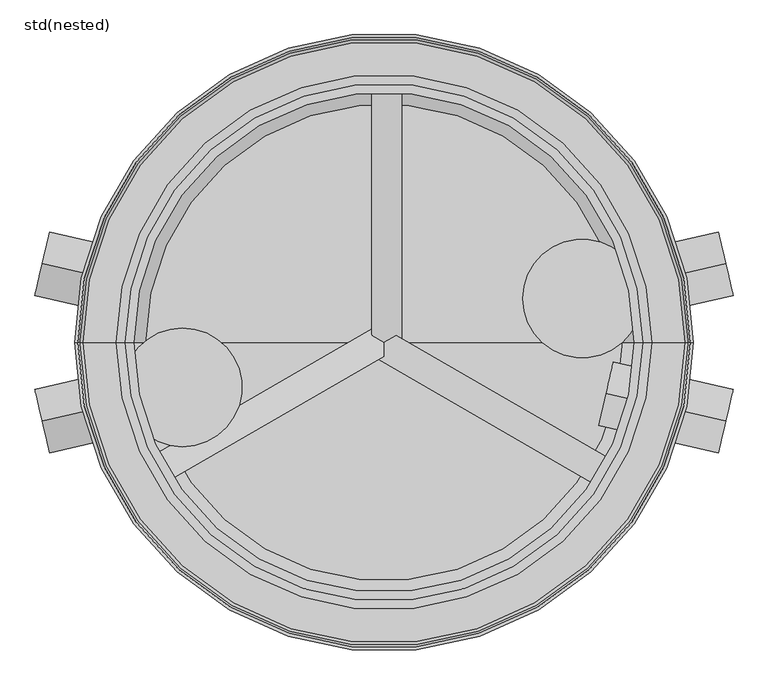
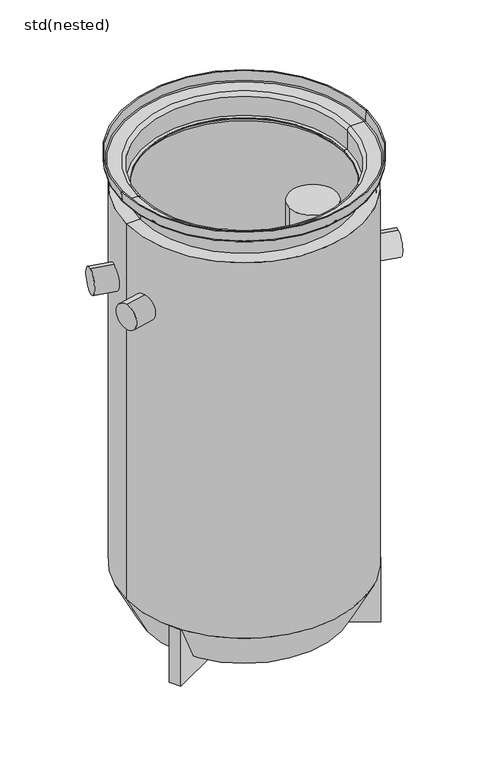
"""IFC4 building model written with IfcOpenShell, lengths in millimetres: unitary equipment geometry, std(nested)."""

from ifc_helpers import new_model, si_unit, point, frame, frame_2d, origin, origin_with_axes, place, context, project, spatial, polyline, circle_curve, ellipse_curve, trimmed, segment, composite_curve, outline, extrude, faceted_brep, source, transform, mapped, element, save
from ifc_brep_helpers import plane_surface, cylinder_surface, revolved_surface, advanced_brep


def std_nested_e6c26841(model_context):
    return source(origin(), model_context, "Body", "SolidModel", [
        faceted_brep([(-447.7834993, -224.4162284, -2085.0), (-447.7834993, -224.4162284, -1831.3908275), (-20.4584052, 22.3000296, -1986.9298086), (-20.4584052, 22.3000296, -2085.0), (-422.7834993, -267.7174986, -1831.3908275), (-422.7834993, -267.7174986, -2085.0), (-9.0831896, -28.8675135, -2085.0), (-9.0831896, -28.8675135, -1986.9298086), (0.0, -23.6233315, -1985.2767463), (-20.4584052, 500.0, -2085.0), (29.5415948, 500.0, -2085.0), (29.5415948, 6.5674838, -2085.0), (443.2419045, -232.2825014, -2085.0), (418.2419045, -275.5837716, -2085.0), (0.0, 0.0, -1989.0), (-20.4584052, 11.8116658, -1985.2767463), (418.2419045, -275.5837716, -1831.3908275), (443.2419045, -232.2825014, -1831.3908275), (29.5415948, 6.5674838, -1986.9298086), (20.4584052, 11.8116658, -1985.2767463), (29.5415948, 500.0, -1831.3908275), (-20.4584052, 500.0, -1831.3908275)], [[[0, 1, 2, 3]], [[4, 5, 6, 7, 8]], [[5, 0, 3, 9, 10, 11, 12, 13, 6]], [[1, 0, 5, 4]], [[1, 4, 8, 14, 15, 2]], [[13, 16, 7, 6]], [[17, 12, 11, 18, 19]], [[16, 13, 12, 17]], [[16, 17, 19, 14, 8, 7]], [[10, 20, 18, 11]], [[21, 9, 3, 2, 15]], [[20, 10, 9, 21]], [[20, 21, 15, 14, 19, 18]]]),
        extrude(outline(composite_curve([segment(trimmed(circle_curve(frame_2d((0.0, -55.0)), 55.0), [point((0.0, -110.0))], [point((0.0, 0.0))], False, "CARTESIAN"), True, "CONTINUOUS"), segment(trimmed(circle_curve(frame_2d((0.0, -55.0)), 55.0), [point((0.0, 0.0))], [point((0.0, -110.0))], False, "CARTESIAN"), True, "CONTINUOUS")], self_intersect=False)), frame((-574.8783382, -132.7211221, -405.0), z_axis=(0.9743700647852354, 0.22495105434386478, 0.0), x_axis=(-0.22495105434386478, 0.9743700647852354, 0.0)), (0.0, 0.0, 1.0), 208.2942375),
        advanced_brep(
        [(-520.3440883, 0.0, 0.0), (520.3440883, 0.0, 0.0), (516.7682904, 0.0, -40.8715574), (-516.7682904, 0.0, -40.8715574), (-515.3249891, 0.0, 0.0), (515.3249891, 0.0, 0.0), (-511.7651284, 0.0, -40.6893939), (511.7651284, 0.0, -40.6893939), (-506.8063434, 0.0, -45.0), (506.8063434, 0.0, -45.0), (-450.9696551, 0.0, -45.0), (450.9696551, 0.0, -45.0), (-435.9696551, 0.0, -60.0), (435.9696551, 0.0, -60.0), (-435.9696551, 0.0, -145.0), (435.9696551, 0.0, -145.0), (-420.9696551, 0.0, -145.0), (420.9696551, 0.0, -145.0), (-420.9696551, 0.0, -150.0), (420.9696551, 0.0, -150.0), (-440.9696551, 0.0, -150.0), (440.9696551, 0.0, -150.0), (-440.9696551, 0.0, -60.0), (440.9696551, 0.0, -60.0), (-450.9696551, 0.0, -50.0), (450.9696551, 0.0, -50.0), (-506.8063434, 0.0, -50.0), (506.8063434, 0.0, -50.0)],
        [
            (0, 1, circle_curve(frame((0.0, 0.0, 0.0), z_axis=(0.0, 0.0, -1.0), x_axis=(1.0, 0.0, 0.0)), 520.3440883)),
            (1, 2),
            (2, 3, circle_curve(frame((0.0, 0.0, -40.8715574), z_axis=(0.0, 0.0, 1.0), x_axis=(1.0, 0.0, 0.0)), 516.7682904)),
            (3, 0),
            (1, 0, circle_curve(frame((0.0, 0.0, 0.0), z_axis=(0.0, 0.0, -1.0), x_axis=(1.0, 0.0, 0.0)), 520.3440883)),
            (3, 2, circle_curve(frame((0.0, 0.0, -40.8715574), z_axis=(0.0, 0.0, 1.0), x_axis=(1.0, 0.0, 0.0)), 516.7682904)),
            (4, 5, circle_curve(frame((0.0, 0.0, 0.0), z_axis=(0.0, 0.0, -1.0), x_axis=(1.0, 0.0, 0.0)), 515.3249891)),
            (5, 1),
            (0, 4),
            (5, 4, circle_curve(frame((0.0, 0.0, 0.0), z_axis=(0.0, 0.0, -1.0), x_axis=(1.0, 0.0, 0.0)), 515.3249891)),
            (6, 7, circle_curve(frame((0.0, 0.0, -40.6893939), z_axis=(0.0, 0.0, -1.0), x_axis=(1.0, 0.0, 0.0)), 511.7651284)),
            (7, 5),
            (4, 6),
            (7, 6, circle_curve(frame((0.0, 0.0, -40.6893939), z_axis=(0.0, 0.0, -1.0), x_axis=(1.0, 0.0, 0.0)), 511.7651284)),
            (8, 9, circle_curve(frame((0.0, 0.0, -45.0), z_axis=(0.0, 0.0, -1.0), x_axis=(1.0, 0.0, 0.0)), 506.8063434)),
            (9, 7, circle_curve(frame((506.8063434, 0.0, -39.9924821), z_axis=(0.0, -1.0, 0.0), x_axis=(1.0, 0.0, 0.0)), 5.0075179)),
            (6, 8, circle_curve(frame((-506.8063434, 0.0, -39.9924821), z_axis=(0.0, -1.0, 0.0), x_axis=(-1.0, 0.0, 0.0)), 5.0075179)),
            (9, 8, circle_curve(frame((0.0, 0.0, -45.0), z_axis=(0.0, 0.0, -1.0), x_axis=(1.0, 0.0, 0.0)), 506.8063434)),
            (10, 11, circle_curve(frame((0.0, 0.0, -45.0), z_axis=(0.0, 0.0, -1.0), x_axis=(1.0, 0.0, 0.0)), 450.9696551)),
            (11, 9),
            (8, 10),
            (11, 10, circle_curve(frame((0.0, 0.0, -45.0), z_axis=(0.0, 0.0, -1.0), x_axis=(1.0, 0.0, 0.0)), 450.9696551)),
            (12, 13, circle_curve(frame((0.0, 0.0, -60.0), z_axis=(0.0, 0.0, -1.0), x_axis=(1.0, 0.0, 0.0)), 435.9696551)),
            (13, 11, circle_curve(frame((450.9696551, 0.0, -60.0), z_axis=(0.0, 1.0, 0.0), x_axis=(1.0, 0.0, 0.0)), 15.0)),
            (10, 12, circle_curve(frame((-450.9696551, 0.0, -60.0), z_axis=(0.0, 1.0, 0.0), x_axis=(-1.0, 0.0, 0.0)), 15.0)),
            (13, 12, circle_curve(frame((0.0, 0.0, -60.0), z_axis=(0.0, 0.0, -1.0), x_axis=(1.0, 0.0, 0.0)), 435.9696551)),
            (14, 15, circle_curve(frame((0.0, 0.0, -145.0), z_axis=(0.0, 0.0, -1.0), x_axis=(1.0, 0.0, 0.0)), 435.9696551)),
            (15, 13),
            (12, 14),
            (15, 14, circle_curve(frame((0.0, 0.0, -145.0), z_axis=(0.0, 0.0, -1.0), x_axis=(1.0, 0.0, 0.0)), 435.9696551)),
            (16, 17, circle_curve(frame((0.0, 0.0, -145.0), z_axis=(0.0, 0.0, -1.0), x_axis=(1.0, 0.0, 0.0)), 420.9696551)),
            (17, 15),
            (14, 16),
            (17, 16, circle_curve(frame((0.0, 0.0, -145.0), z_axis=(0.0, 0.0, -1.0), x_axis=(1.0, 0.0, 0.0)), 420.9696551)),
            (18, 19, circle_curve(frame((0.0, 0.0, -150.0), z_axis=(0.0, 0.0, -1.0), x_axis=(1.0, 0.0, 0.0)), 420.9696551)),
            (19, 17),
            (16, 18),
            (19, 18, circle_curve(frame((0.0, 0.0, -150.0), z_axis=(0.0, 0.0, -1.0), x_axis=(1.0, 0.0, 0.0)), 420.9696551)),
            (20, 21, circle_curve(frame((0.0, 0.0, -150.0), z_axis=(0.0, 0.0, -1.0), x_axis=(1.0, 0.0, 0.0)), 440.9696551)),
            (21, 19),
            (18, 20),
            (21, 20, circle_curve(frame((0.0, 0.0, -150.0), z_axis=(0.0, 0.0, -1.0), x_axis=(1.0, 0.0, 0.0)), 440.9696551)),
            (22, 23, circle_curve(frame((0.0, 0.0, -60.0), z_axis=(0.0, 0.0, -1.0), x_axis=(1.0, 0.0, 0.0)), 440.9696551)),
            (23, 21),
            (20, 22),
            (23, 22, circle_curve(frame((0.0, 0.0, -60.0), z_axis=(0.0, 0.0, -1.0), x_axis=(1.0, 0.0, 0.0)), 440.9696551)),
            (24, 25, circle_curve(frame((0.0, 0.0, -50.0), z_axis=(0.0, 0.0, -1.0), x_axis=(1.0, 0.0, 0.0)), 450.9696551)),
            (25, 23, circle_curve(frame((450.9696551, 0.0, -60.0), z_axis=(0.0, -1.0, 0.0), x_axis=(1.0, 0.0, 0.0)), 10.0)),
            (22, 24, circle_curve(frame((-450.9696551, 0.0, -60.0), z_axis=(0.0, -1.0, 0.0), x_axis=(-1.0, 0.0, 0.0)), 10.0)),
            (25, 24, circle_curve(frame((0.0, 0.0, -50.0), z_axis=(0.0, 0.0, -1.0), x_axis=(1.0, 0.0, 0.0)), 450.9696551)),
            (26, 27, circle_curve(frame((0.0, 0.0, -50.0), z_axis=(0.0, 0.0, -1.0), x_axis=(1.0, 0.0, 0.0)), 506.8063434)),
            (27, 25),
            (24, 26),
            (27, 26, circle_curve(frame((0.0, 0.0, -50.0), z_axis=(0.0, 0.0, -1.0), x_axis=(1.0, 0.0, 0.0)), 506.8063434)),
            (2, 27, circle_curve(frame((506.8063434, 0.0, -40.0), z_axis=(0.0, 1.0, 0.0), x_axis=(1.0, 0.0, 0.0)), 10.0)),
            (26, 3, circle_curve(frame((-506.8063434, 0.0, -40.0), z_axis=(0.0, 1.0, 0.0), x_axis=(-1.0, 0.0, 0.0)), 10.0)),
        ],
        [
            revolved_surface(polyline([(516.7682904, 0.0, -40.8715574), (520.3440883, 0.0, 0.0)]), (0.0, 0.0, 70.0), (0.0, 0.0, 1.0)),
            plane_surface(origin_with_axes()),
            revolved_surface(polyline([(515.3249891, 0.0, 0.0), (511.7651284, 0.0, -40.6893939)]), (0.0, 0.0, 70.0), (0.0, 0.0, 1.0)),
            revolved_surface(trimmed(ellipse_curve(frame((506.8063434, 0.0, -39.9924821), z_axis=(0.0, 1.0, 0.0), x_axis=(1.0, 0.0, 0.0)), 5.0075179, 5.0075179), [point((511.7651284, 0.0, -40.6893939))], [point((506.8063434, 0.0, -45.0))], True, "CARTESIAN"), (0.0, 0.0, 70.0), (0.0, 0.0, 1.0)),
            plane_surface(frame((0.0, 0.0, -45.0), z_axis=(0.0, 0.0, 1.0), x_axis=(1.0, 0.0, 0.0))),
            revolved_surface(trimmed(ellipse_curve(frame((450.9696551, 0.0, -60.0), z_axis=(0.0, -1.0, 0.0), x_axis=(1.0, 0.0, 0.0)), 15.0, 15.0), [point((450.9696551, 0.0, -45.0))], [point((435.9696551, 0.0, -60.0))], True, "CARTESIAN"), (0.0, 0.0, 70.0), (0.0, 0.0, 1.0)),
            revolved_surface(polyline([(435.9696551, 0.0, -60.0), (435.9696551, 0.0, -145.0)]), (0.0, 0.0, 70.0), (0.0, 0.0, 1.0)),
            plane_surface(frame((0.0, 0.0, -145.0), z_axis=(0.0, 0.0, 1.0), x_axis=(1.0, 0.0, 0.0))),
            revolved_surface(polyline([(420.9696551, 0.0, -145.0), (420.9696551, 0.0, -150.0)]), (0.0, 0.0, 70.0), (0.0, 0.0, 1.0)),
            plane_surface(frame((0.0, 0.0, -150.0), z_axis=(0.0, 0.0, -1.0), x_axis=(1.0, 0.0, 0.0))),
            cylinder_surface(frame((0.0, 0.0, 70.0), z_axis=(0.0, 0.0, 1.0), x_axis=(1.0, 0.0, 0.0)), 440.9696551),
            revolved_surface(trimmed(ellipse_curve(frame((450.9696551, 0.0, -60.0), z_axis=(0.0, 1.0, 0.0), x_axis=(1.0, 0.0, 0.0)), 10.0, 10.0), [point((440.9696551, 0.0, -60.0))], [point((450.9696551, 0.0, -50.0))], True, "CARTESIAN"), (0.0, 0.0, 70.0), (0.0, 0.0, 1.0)),
            plane_surface(frame((0.0, 0.0, -50.0), z_axis=(0.0, 0.0, -1.0), x_axis=(1.0, 0.0, 0.0))),
            revolved_surface(trimmed(ellipse_curve(frame((506.8063434, 0.0, -40.0), z_axis=(0.0, -1.0, 0.0), x_axis=(1.0, 0.0, 0.0)), 10.0, 10.0), [point((506.8063434, 0.0, -50.0))], [point((516.7682904, 0.0, -40.8715574))], True, "CARTESIAN"), (0.0, 0.0, 70.0), (0.0, 0.0, 1.0)),
        ],
        [
            (0, [[1, 2, 3, 4]]),
            (0, [[5, -4, 6, -2]]),
            (1, [[7, 8, -1, 9]]),
            (1, [[10, -9, -5, -8]]),
            (2, [[11, 12, -7, 13]]),
            (2, [[14, -13, -10, -12]]),
            (3, [[15, 16, -11, 17]]),
            (3, [[18, -17, -14, -16]]),
            (4, [[19, 20, -15, 21]]),
            (4, [[22, -21, -18, -20]]),
            (5, [[23, 24, -19, 25]]),
            (5, [[26, -25, -22, -24]]),
            (6, [[27, 28, -23, 29]]),
            (6, [[30, -29, -26, -28]]),
            (7, [[31, 32, -27, 33]]),
            (7, [[34, -33, -30, -32]]),
            (8, [[35, 36, -31, 37]]),
            (8, [[38, -37, -34, -36]]),
            (9, [[39, 40, -35, 41]]),
            (9, [[42, -41, -38, -40]]),
            (10, [[43, 44, -39, 45]]),
            (10, [[46, -45, -42, -44]]),
            (11, [[47, 48, -43, 49]]),
            (11, [[50, -49, -46, -48]]),
            (12, [[51, 52, -47, 53]]),
            (12, [[54, -53, -50, -52]]),
            (13, [[-3, 55, -51, 56]]),
            (13, [[-6, -56, -54, -55]]),
        ],
    ),
        advanced_brep(
        [(-432.6657127, 0.0, -150.3595062), (432.6657127, 0.0, -150.3595062), (500.0, 0.0, -150.3595062), (-500.0, 0.0, -150.3595062), (-484.0, 0.0, -1827.5274563), (484.0, 0.0, -1827.5274563), (484.0, 0.0, -166.3595062), (-484.0, 0.0, -166.3595062), (-401.1935673, 0.0, -1989.0), (401.1935673, 0.0, -1989.0), (0.0, 0.0, -1989.0), (-410.9696551, 0.0, -2005.0), (410.9696551, 0.0, -2005.0), (0.0, 0.0, -2005.0), (-500.0, 0.0, -1831.3908275), (500.0, 0.0, -1831.3908275), (-432.6657127, 0.0, -166.3595062), (432.6657127, 0.0, -166.3595062)],
        [
            (0, 1, circle_curve(frame((0.0, 0.0, -150.3595062), z_axis=(0.0, 0.0, -1.0), x_axis=(1.0, 0.0, 0.0)), 432.6657127)),
            (1, 2),
            (2, 3, circle_curve(frame((0.0, 0.0, -150.3595062), z_axis=(0.0, 0.0, 1.0), x_axis=(1.0, 0.0, 0.0)), 500.0)),
            (3, 0),
            (1, 0, circle_curve(frame((0.0, 0.0, -150.3595062), z_axis=(0.0, 0.0, -1.0), x_axis=(1.0, 0.0, 0.0)), 432.6657127)),
            (3, 2, circle_curve(frame((0.0, 0.0, -150.3595062), z_axis=(0.0, 0.0, 1.0), x_axis=(1.0, 0.0, 0.0)), 500.0)),
            (4, 5, circle_curve(frame((0.0, 0.0, -1827.5274563), z_axis=(0.0, 0.0, -1.0), x_axis=(1.0, 0.0, 0.0)), 484.0)),
            (5, 6),
            (6, 7, circle_curve(frame((0.0, 0.0, -166.3595062), z_axis=(0.0, 0.0, 1.0), x_axis=(1.0, 0.0, 0.0)), 484.0)),
            (7, 4),
            (5, 4, circle_curve(frame((0.0, 0.0, -1827.5274563), z_axis=(0.0, 0.0, -1.0), x_axis=(1.0, 0.0, 0.0)), 484.0)),
            (7, 6, circle_curve(frame((0.0, 0.0, -166.3595062), z_axis=(0.0, 0.0, 1.0), x_axis=(1.0, 0.0, 0.0)), 484.0)),
            (8, 9, circle_curve(frame((0.0, 0.0, -1989.0), z_axis=(0.0, 0.0, -1.0), x_axis=(1.0, 0.0, 0.0)), 401.1935673)),
            (9, 5),
            (4, 8),
            (9, 8, circle_curve(frame((0.0, 0.0, -1989.0), z_axis=(0.0, 0.0, -1.0), x_axis=(1.0, 0.0, 0.0)), 401.1935673)),
            (10, 9),
            (8, 10),
            (11, 12, circle_curve(frame((0.0, 0.0, -2005.0), z_axis=(0.0, 0.0, -1.0), x_axis=(1.0, 0.0, 0.0)), 410.9696551)),
            (12, 13),
            (13, 11),
            (12, 11, circle_curve(frame((0.0, 0.0, -2005.0), z_axis=(0.0, 0.0, -1.0), x_axis=(1.0, 0.0, 0.0)), 410.9696551)),
            (14, 15, circle_curve(frame((0.0, 0.0, -1831.3908275), z_axis=(0.0, 0.0, -1.0), x_axis=(1.0, 0.0, 0.0)), 500.0)),
            (15, 12),
            (11, 14),
            (15, 14, circle_curve(frame((0.0, 0.0, -1831.3908275), z_axis=(0.0, 0.0, -1.0), x_axis=(1.0, 0.0, 0.0)), 500.0)),
            (2, 15),
            (14, 3),
            (16, 17, circle_curve(frame((0.0, 0.0, -166.3595062), z_axis=(0.0, 0.0, -1.0), x_axis=(1.0, 0.0, 0.0)), 432.6657127)),
            (17, 1),
            (0, 16),
            (17, 16, circle_curve(frame((0.0, 0.0, -166.3595062), z_axis=(0.0, 0.0, -1.0), x_axis=(1.0, 0.0, 0.0)), 432.6657127)),
            (6, 17),
            (16, 7),
        ],
        [
            plane_surface(frame((0.0, 0.0, -150.3595062), z_axis=(0.0, 0.0, 1.0), x_axis=(1.0, 0.0, 0.0))),
            revolved_surface(polyline([(484.0, 0.0, -166.3595062), (484.0, 0.0, -1827.5274563)]), (0.0, 0.0, 70.0), (0.0, 0.0, 1.0)),
            revolved_surface(polyline([(484.0, 0.0, -1827.5274563), (401.1935673, 0.0, -1989.0)]), (0.0, 0.0, 70.0), (0.0, 0.0, 1.0)),
            plane_surface(frame((0.0, 0.0, -1989.0), z_axis=(0.0, 0.0, 1.0), x_axis=(1.0, 0.0, 0.0))),
            plane_surface(frame((0.0, 0.0, -2005.0), z_axis=(0.0, 0.0, -1.0), x_axis=(1.0, 0.0, 0.0))),
            revolved_surface(polyline([(410.9696551, 0.0, -2005.0), (500.0, 0.0, -1831.3908275)]), (0.0, 0.0, 70.0), (0.0, 0.0, 1.0)),
            cylinder_surface(frame((0.0, 0.0, 70.0), z_axis=(0.0, 0.0, 1.0), x_axis=(1.0, 0.0, 0.0)), 500.0),
            revolved_surface(polyline([(432.6657127, 0.0, -150.3595062), (432.6657127, 0.0, -166.3595062)]), (0.0, 0.0, 70.0), (0.0, 0.0, 1.0)),
            plane_surface(frame((0.0, 0.0, -166.3595062), z_axis=(0.0, 0.0, -1.0), x_axis=(1.0, 0.0, 0.0))),
        ],
        [
            (0, [[1, 2, 3, 4]]),
            (0, [[5, -4, 6, -2]]),
            (1, [[7, 8, 9, 10]]),
            (1, [[11, -10, 12, -8]]),
            (2, [[13, 14, -7, 15]]),
            (2, [[16, -15, -11, -14]]),
            (3, [[17, -13, 18]]),
            (3, [[-18, -16, -17]]),
            (4, [[19, 20, 21]]),
            (4, [[22, -21, -20]]),
            (5, [[23, 24, -19, 25]]),
            (5, [[26, -25, -22, -24]]),
            (6, [[-3, 27, -23, 28]]),
            (6, [[-6, -28, -26, -27]]),
            (7, [[29, 30, -1, 31]]),
            (7, [[32, -31, -5, -30]]),
            (8, [[-9, 33, -29, 34]]),
            (8, [[-12, -34, -32, -33]]),
        ],
    ),
        extrude(outline(composite_curve([segment(trimmed(circle_curve(frame_2d((0.0, -55.0)), 55.0), [point((0.0, -110.0))], [point((0.0, 0.0))], False, "CARTESIAN"), True, "CONTINUOUS"), segment(trimmed(circle_curve(frame_2d((0.0, -55.0)), 55.0), [point((0.0, 0.0))], [point((0.0, -110.0))], False, "CARTESIAN"), True, "CONTINUOUS")], self_intersect=False)), frame((574.8783382, -132.7211221, -475.0), z_axis=(-0.9743700647852354, 0.22495105434386478, 0.0), x_axis=(-0.22495105434386478, -0.9743700647852354, 0.0)), (0.0, 0.0, 1.0), 206.5925064),
        extrude(outline(composite_curve([segment(trimmed(circle_curve(frame_2d((0.0, -55.0)), 55.0), [point((0.0, -110.0))], [point((0.0, 0.0))], False, "CARTESIAN"), True, "CONTINUOUS"), segment(trimmed(circle_curve(frame_2d((0.0, -55.0)), 55.0), [point((0.0, 0.0))], [point((0.0, -110.0))], False, "CARTESIAN"), True, "CONTINUOUS")], self_intersect=False)), frame((378.5786961, 87.4017788, -475.0), z_axis=(0.9743700647852354, 0.22495105434386473, 0.0), x_axis=(-0.22495105434386473, 0.9743700647852354, 0.0)), (0.0, 0.0, 1.0), 201.4631291),
        extrude(outline(composite_curve([segment(trimmed(circle_curve(frame_2d((0.0, -55.0)), 55.0), [point((0.0, -110.0))], [point((0.0, 0.0))], False, "CARTESIAN"), True, "CONTINUOUS"), segment(trimmed(circle_curve(frame_2d((0.0, -55.0)), 55.0), [point((0.0, 0.0))], [point((0.0, -110.0))], False, "CARTESIAN"), True, "CONTINUOUS")], self_intersect=False)), frame((-453.8430069, 104.7779141, -405.0), z_axis=(-0.9743700647852354, 0.22495105434386478, 0.0), x_axis=(-0.22495105434386478, -0.9743700647852354, 0.0)), (0.0, 0.0, 1.0), 124.2190578),
        extrude(outline(composite_curve([segment(trimmed(circle_curve(frame_2d((333.4600931, 73.694846)), 100.0), [point((433.4600931, 73.694846))], [point((233.4600931, 73.694846))], False, "CARTESIAN"), True, "CONTINUOUS"), segment(trimmed(circle_curve(frame_2d((333.4600931, 73.694846)), 100.0), [point((233.4600931, 73.694846))], [point((433.4600931, 73.694846))], False, "CARTESIAN"), True, "CONTINUOUS")], self_intersect=False)), frame((0.0, 0.0, -1275.0), z_axis=(0.0, 0.0, 1.0), x_axis=(1.0, 0.0, 0.0)), (0.0, 0.0, 1.0), 895.0),
        extrude(outline(composite_curve([segment(trimmed(circle_curve(frame_2d((-339.0, -75.9025505)), 100.0), [point((-339.0, 24.0974495))], [point((-339.0, -175.9025505))], False, "CARTESIAN"), True, "CONTINUOUS"), segment(trimmed(circle_curve(frame_2d((-339.0, -75.9025505)), 100.0), [point((-339.0, -175.9025505))], [point((-339.0, 24.0974495))], False, "CARTESIAN"), True, "CONTINUOUS")], self_intersect=False)), frame((0.0, 0.0, -1016.0), z_axis=(0.0, 0.0, 1.0), x_axis=(1.0, 0.0, 0.0)), (0.0, 0.0, 1.0), 636.0),
    ])


if __name__ == "__main__":
    model = new_model("IFC4")
    model_context = context("Model", 3, world=origin())
    ifc_project = project(units=[si_unit("LENGTHUNIT", "METRE", prefix="MILLI")], contexts=[model_context])
    site = spatial("IfcSite", under=ifc_project)
    building = spatial("IfcBuilding", under=site)
    placement = place(None, origin())
    std_nested_shape = std_nested_e6c26841(model_context)
    element("IfcUnitaryEquipment", 1, ObjectType="std(nested)", at=placement, inside=building, context=model_context, shape_type="MappedRepresentation", body=[
        mapped(std_nested_shape, transform((0.0, 0.0, 0.0), x_axis=(1.0, 0.0, 0.0), y_axis=(0.0, 1.0, 0.0), z_axis=(0.0, 0.0, 1.0))),
    ])
    save(model, "model.ifc")
